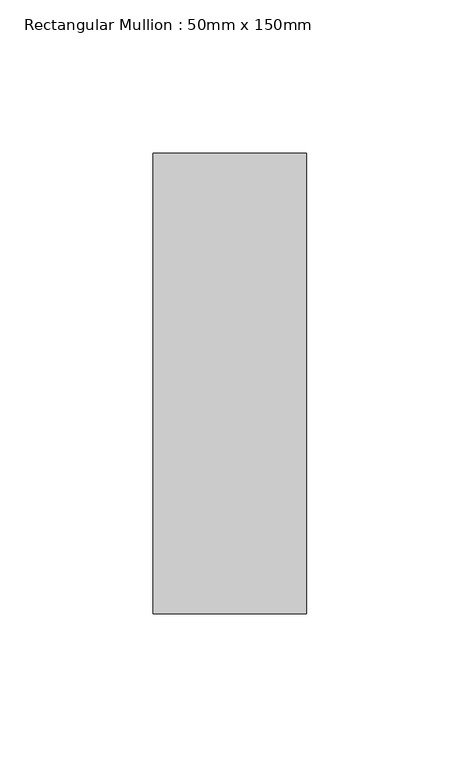
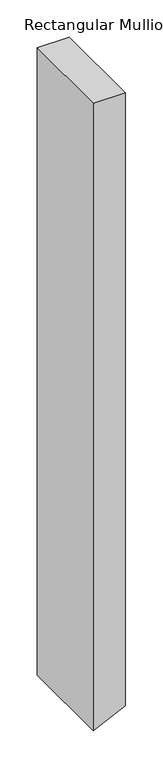
"""IFC4 building model written with IfcOpenShell, lengths in millimetres: member geometry, Rectangular Mullion : 50mm x 150mm."""

from ifc_helpers import new_model, si_unit, frame, origin, place, context, project, spatial, polyline, outline, extrude, source, transform, mapped, element, save


def rectangular_mullion_50mm_x_150mm_fa0aa5d1(model_context):
    return source(origin(), model_context, "Body", "SweptSolid", [
        extrude(outline(polyline([(0.0, 25.0), (0.0, -25.0), (-1028.3915727, -25.0), (-1026.5550761, -21.0411824), (-1005.1965585, 25.0), (0.0, 25.0)])), frame((0.0, -75.0, 0.0), z_axis=(0.0, 1.0, 0.0), x_axis=(0.0, 0.0, 1.0)), (0.0, 0.0, 1.0), 150.0),
    ])


if __name__ == "__main__":
    model = new_model("IFC4")
    model_context = context("Model", 3, world=origin())
    ifc_project = project(units=[si_unit("LENGTHUNIT", "METRE", prefix="MILLI")], contexts=[model_context])
    site = spatial("IfcSite", under=ifc_project)
    building = spatial("IfcBuilding", under=site)
    placement = place(None, origin())
    rectangular_mullion_50mm_x_150mm_shape = rectangular_mullion_50mm_x_150mm_fa0aa5d1(model_context)
    element("IfcMember", 1, ObjectType="Rectangular Mullion : 50mm x 150mm", at=placement, inside=building, context=model_context, shape_type="MappedRepresentation", body=[
        mapped(rectangular_mullion_50mm_x_150mm_shape, transform((0.0, 0.0, 0.0), x_axis=(1.0, 0.0, 0.0), y_axis=(0.0, 1.0, 0.0), z_axis=(0.0, 0.0, 1.0))),
    ])
    save(model, "model.ifc")
